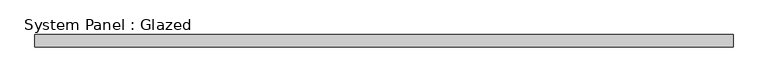
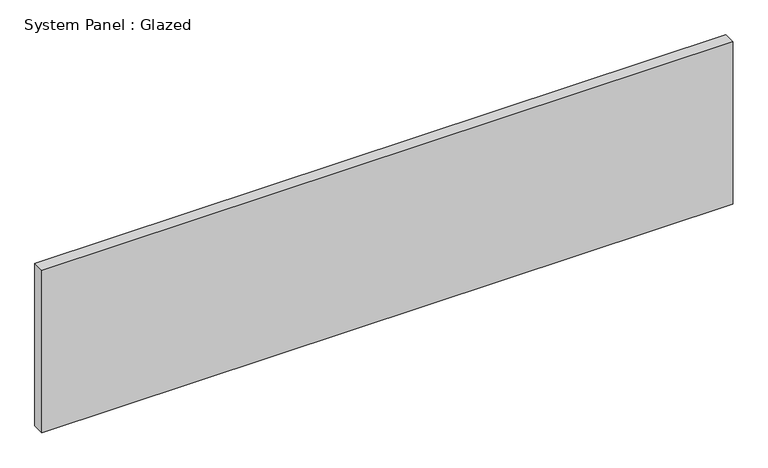
"""IFC4 building model written with IfcOpenShell, lengths in millimetres: plate geometry, System Panel : Glazed."""

from ifc_helpers import new_model, si_unit, origin, origin_with_axes, place, context, project, spatial, polyline, outline, extrude, source, transform, mapped, element, save


def system_panel_glazed_6e5c146b(model_context):
    return source(origin(), model_context, "Body", "SweptSolid", [
        extrude(outline(polyline([(727.075, -12.7), (-727.075, -12.7), (-727.075, 12.7), (727.075, 12.7), (727.075, -12.7)])), origin_with_axes(), (0.0, 0.0, 1.0), 361.45),
    ])


if __name__ == "__main__":
    model = new_model("IFC4")
    model_context = context("Model", 3, world=origin())
    ifc_project = project(units=[si_unit("LENGTHUNIT", "METRE", prefix="MILLI")], contexts=[model_context])
    site = spatial("IfcSite", under=ifc_project)
    building = spatial("IfcBuilding", under=site)
    placement = place(None, origin())
    system_panel_glazed_shape = system_panel_glazed_6e5c146b(model_context)
    element("IfcPlate", 1, ObjectType="System Panel : Glazed", at=placement, inside=building, context=model_context, shape_type="MappedRepresentation", body=[
        mapped(system_panel_glazed_shape, transform((0.0, 0.0, 0.0), x_axis=(1.0, 0.0, 0.0), y_axis=(0.0, 1.0, 0.0), z_axis=(0.0, 0.0, 1.0))),
    ])
    save(model, "model.ifc")
